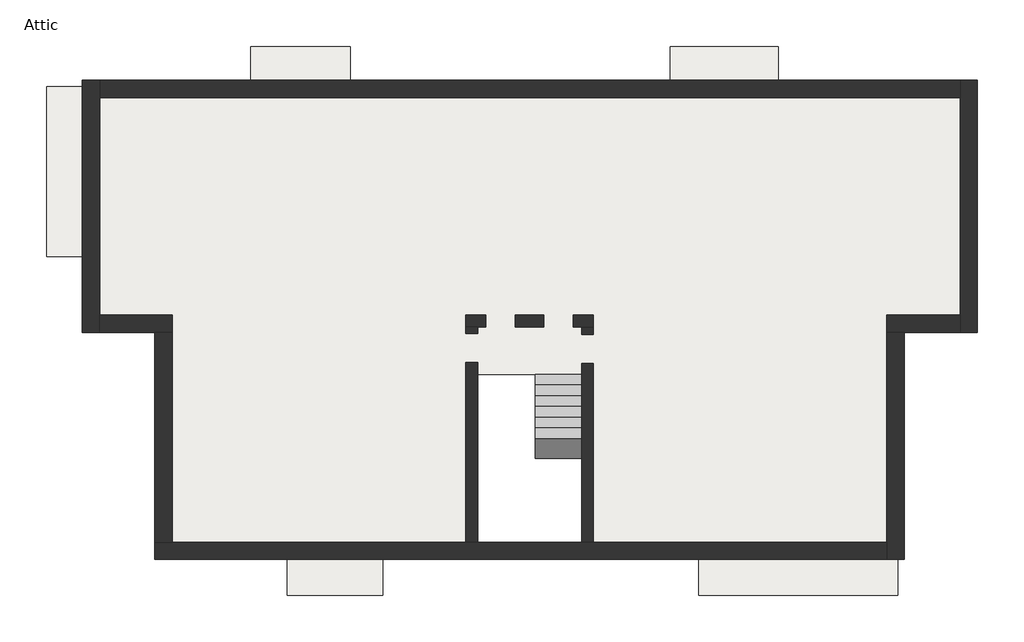
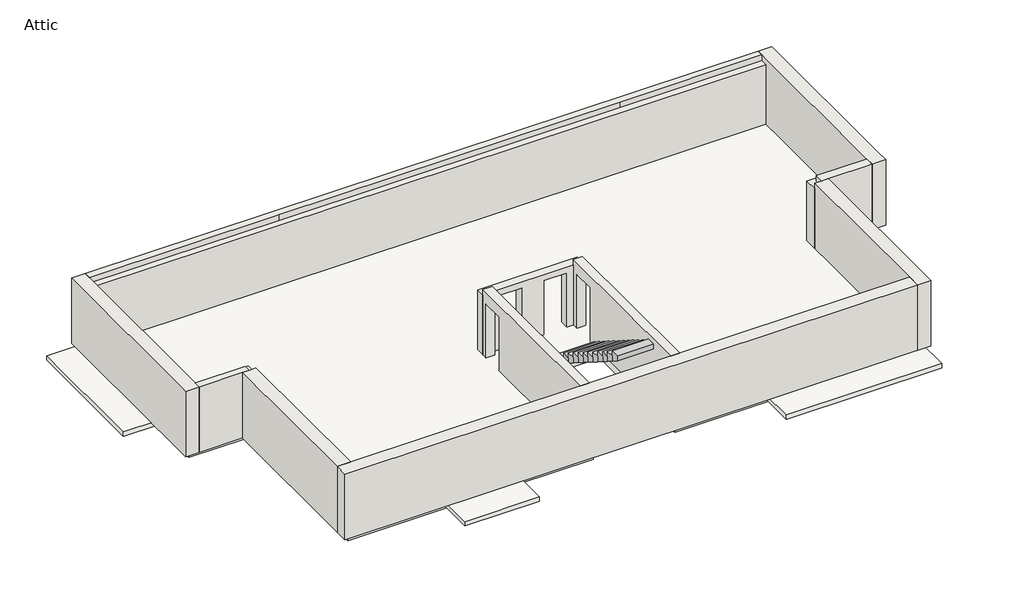
# One storey: 11 walls, 6 slabs, 1 stair flight.
"""IFC4 building model written with IfcOpenShell, lengths in millimetres."""

import ifcopenshell
import ifcopenshell.guid

model = None  # the IFC model being written
_history = None  # IfcOwnerHistory: only IFC2X3 demands one
_inside = {}  # id of a spatial element -> (the spatial element, [elements in it])
_under = {}  # id of a project, library or spatial element -> (it, [spatial elements below it])
_declared = {}  # id of a project -> (the project, [libraries it declares])
_typed = {}  # id of a type object -> (the type object, [elements of that type])
_made_of = {}  # id of a material, layer set ... -> (it, [elements and type objects made of it])


def new_model(schema):
    """Start an empty IFC model of exactly this schema.

    Asked for "IFC4X3", IfcOpenShell would pick the latest addendum, in which some entities
    have other attributes; the version numbers below select the first issue.
    IFC2X3 requires an IfcOwnerHistory on every rooted entity: one is made here for all.
    """
    global model, _history
    if schema == "IFC4X3":
        model = ifcopenshell.file(schema_version=(4, 3, 0, 0))
    else:
        model = ifcopenshell.file(schema=schema)
    _inside.clear()
    _under.clear()
    _declared.clear()
    _typed.clear()
    _made_of.clear()
    _history = None
    if model.schema == "IFC2X3":
        org = make("IfcOrganization", Name="unknown")
        user = make(
            "IfcPersonAndOrganization",
            ThePerson=make("IfcPerson", FamilyName="unknown"),
            TheOrganization=org,
        )
        app = make(
            "IfcApplication",
            ApplicationDeveloper=org,
            Version="unknown",
            ApplicationFullName="unknown",
            ApplicationIdentifier="unknown",
        )
        _history = make(
            "IfcOwnerHistory",
            OwningUser=user,
            OwningApplication=app,
            ChangeAction="ADDED",
            CreationDate=0,
        )
    return model


def make(cls, **values):
    """One entity of the class cls with the attributes given. An attribute that is None is left unset."""
    return model.create_entity(
        cls, **{name: value for name, value in values.items() if value is not None}
    )


def rooted(cls, **values):
    """An entity with a GlobalId (a new one), such as an element, a storey or a relation."""
    return make(cls, GlobalId=ifcopenshell.guid.new(), OwnerHistory=_history, **values)


def si_unit(unit_type, name, prefix=None):
    """IfcSIUnit, for example si_unit("LENGTHUNIT", "METRE", prefix="MILLI")."""
    return make("IfcSIUnit", UnitType=unit_type, Prefix=prefix, Name=name)


def assignment(units):
    """IfcUnitAssignment: the units of a project."""
    return None if units is None else make("IfcUnitAssignment", Units=units)


def point(xyz):
    """IfcCartesianPoint."""
    return None if xyz is None else make("IfcCartesianPoint", Coordinates=xyz)


def direction(xyz):
    """IfcDirection."""
    return None if xyz is None else make("IfcDirection", DirectionRatios=xyz)


def frame(location, z_axis=None, x_axis=None):
    """IfcAxis2Placement3D, a coordinate frame: its origin and axes. An axis left out is left unset."""
    return make(
        "IfcAxis2Placement3D",
        Location=point(location),
        Axis=direction(z_axis),
        RefDirection=direction(x_axis),
    )


def origin():
    """The frame at (0, 0, 0) with its axes left unset."""
    return frame((0.0, 0.0, 0.0))


def place(relative_to, where):
    """IfcLocalPlacement: puts the frame where relative to a parent placement (None: the world)."""
    return make(
        "IfcLocalPlacement", PlacementRelTo=relative_to, RelativePlacement=where
    )


def context(
    kind, dimensions, precision=None, world=None, true_north=None, identifier=None
):
    """IfcGeometricRepresentationContext, for example the 3D "Model" context."""
    return make(
        "IfcGeometricRepresentationContext",
        ContextIdentifier=identifier,
        ContextType=kind,
        CoordinateSpaceDimension=dimensions,
        Precision=precision,
        WorldCoordinateSystem=world,
        TrueNorth=true_north,
    )


def project(units=None, contexts=None):
    """IfcProject with its units and contexts."""
    return rooted(
        "IfcProject",
        Name="project",
        RepresentationContexts=contexts,
        UnitsInContext=assignment(units),
    )


def spatial(cls, under=None, at=None, **own):
    """A site, building, storey or space (cls), placed at a placement, below another one or the project."""
    s = rooted(cls, ObjectPlacement=at, **own)
    if under is not None:
        _under.setdefault(under.id(), (under, []))[1].append(s)
    return s


def polyline(points):
    """IfcPolyline through the points."""
    return make("IfcPolyline", Points=[point(p) for p in points])


def outline(outer, holes=None, kind="AREA"):
    """IfcArbitraryClosedProfileDef: a profile drawn as a closed curve; with holes, ...WithVoids."""
    if holes is None:
        return make("IfcArbitraryClosedProfileDef", ProfileType=kind, OuterCurve=outer)
    return make(
        "IfcArbitraryProfileDefWithVoids",
        ProfileType=kind,
        OuterCurve=outer,
        InnerCurves=holes,
    )


def extrude(swept, where, along, depth):
    """IfcExtrudedAreaSolid: the profile swept, set in the frame where, extruded along a direction by depth."""
    return make(
        "IfcExtrudedAreaSolid",
        SweptArea=swept,
        Position=where,
        ExtrudedDirection=direction(along),
        Depth=depth,
    )


def faces_of(points, faces, orient=None, outer=None):
    """IfcFace entities. A face is a list of loops; a loop is a list of indices into points, from 0.

    orient and outer hold one flag for each loop. By default every Orientation is true, the
    first loop of a face is its IfcFaceOuterBound and the others are IfcFaceBound.
    """
    made = []
    for i, loops in enumerate(faces):
        bounds = []
        for j, loop in enumerate(loops):
            is_outer = j == 0 if outer is None else outer[i][j]
            bounds.append(
                make(
                    "IfcFaceOuterBound" if is_outer else "IfcFaceBound",
                    Bound=make("IfcPolyLoop", Polygon=[points[k] for k in loop]),
                    Orientation=True if orient is None else orient[i][j],
                )
            )
        made.append(make("IfcFace", Bounds=bounds))
    return made


def faceted_brep(points, faces, orient=None, outer=None, voids=None):
    """IfcFacetedBrep: a solid bounded by flat faces; with voids (closed shells), ...WithVoids."""
    shared = [point(p) for p in points]
    hull = make("IfcClosedShell", CfsFaces=faces_of(shared, faces, orient, outer))
    if voids is None:
        return make("IfcFacetedBrep", Outer=hull)
    return make(
        "IfcFacetedBrepWithVoids",
        Outer=hull,
        Voids=[
            make(cls, CfsFaces=faces_of(shared, fs, o, b)) for cls, fs, o, b in voids
        ],
    )


def shape(context_of_items, identifier, shape_type, items):
    """IfcShapeRepresentation: the items that make up one representation, for example the "Body"."""
    return make(
        "IfcShapeRepresentation",
        ContextOfItems=context_of_items,
        RepresentationIdentifier=identifier,
        RepresentationType=shape_type,
        Items=items,
    )


def made_of(thing, what):
    """Note that an element or type object is made of a material, layer set ...; save() writes the relation."""
    if what is not None:
        _made_of.setdefault(what.id(), (what, []))[1].append(thing)
    return thing


def element(
    cls,
    number,
    at=None,
    inside=None,
    cuts=None,
    type_object=None,
    material=None,
    context=None,
    identifier="Body",
    shape_type=None,
    held_by="IfcProductDefinitionShape",
    body=None,
    shapes=None,
    **own,
):
    """One element of the class cls, such as IfcWall. Its Tag is "e" and its number.

    at: its placement. inside: the storey or other place that contains it. cuts: it is an
    opening in that element (IfcRelVoidsElement). A single representation is given by context,
    identifier, shape_type and body (its items); several are given by shapes. held_by: the class
    of the entity that holds the representations. save() writes the other relations.
    """
    e = rooted(cls, Tag="e%d" % number, ObjectPlacement=at, **own)
    if body is not None:
        shapes = [shape(context, identifier, shape_type, body)]
    if shapes is not None:
        e.Representation = make(held_by, Representations=shapes)
    if inside is not None:
        _inside.setdefault(inside.id(), (inside, []))[1].append(e)
    if cuts is not None:
        rooted(
            "IfcRelVoidsElement", RelatingBuildingElement=cuts, RelatedOpeningElement=e
        )
    if type_object is not None:
        _typed.setdefault(type_object.id(), (type_object, []))[1].append(e)
    return made_of(e, material)


def aggregate(whole, parts):
    """IfcRelAggregates: a whole, such as a stair, and the parts it consists of."""
    return rooted("IfcRelAggregates", RelatingObject=whole, RelatedObjects=parts)


def save(model, path):
    """Write the relations noted so far, then the file.

    IfcRelAggregates (storeys below a building ...), IfcRelContainedInSpatialStructure (elements
    in a storey), IfcRelDefinesByType, IfcRelAssociatesMaterial and IfcRelDeclares: one each for
    every whole, place, type object, material and project.
    """
    for whole, parts in _under.values():
        aggregate(whole, parts)
    for where, things in _inside.values():
        rooted(
            "IfcRelContainedInSpatialStructure",
            RelatedElements=things,
            RelatingStructure=where,
        )
    for kind, things in _typed.values():
        rooted("IfcRelDefinesByType", RelatedObjects=things, RelatingType=kind)
    for what, things in _made_of.values():
        rooted("IfcRelAssociatesMaterial", RelatedObjects=things, RelatingMaterial=what)
    for by, libraries in _declared.values():
        rooted("IfcRelDeclares", RelatingContext=by, RelatedDefinitions=libraries)
    model.write(path)


model = new_model("IFC4")

# Units and contexts
model_context = context("Model", 3, world=origin())
ifc_project = project(units=[si_unit("LENGTHUNIT", "METRE", prefix="MILLI")], contexts=[model_context])

# Site, building, storey
site = spatial("IfcSite", under=ifc_project)
building = spatial("IfcBuilding", under=site)
storey = spatial("IfcBuildingStorey", under=building, Name="Attic", Elevation=9600.0)

# Slabs
placement = place(None, origin())
element("IfcSlab", 1, at=placement, inside=storey, context=model_context, shape_type="SweptSolid", body=[
    extrude(outline(polyline([(-7160.7410247, -3874.7980841), (3519.2589753, -3874.7980841), (11269.2589753, -3874.7980841), (11269.2589753, -9904.7980841), (9369.2589753, -9904.7980841), (9369.2589753, -15874.7980841), (1219.2589753, -15874.7980841), (1219.2589753, -11567.416921), (19.2589753, -11567.416921), (19.2589753, -11287.416921), (-1480.7410247, -11287.416921), (-1480.7410247, -15874.7980841), (-4000.7410247, -15874.7980841), (-9630.7410247, -15874.7980841), (-9630.7410247, -9979.7980841), (-11510.7410247, -9979.7980841), (-11510.7410247, -3874.7980841), (-7160.7410247, -3874.7980841)])), frame((0.0, 0.0, 9360.0), z_axis=(0.0, 0.0, 1.0), x_axis=(1.0, 0.0, 0.0)), (0.0, 0.0, 1.0), 240.0),
])
element("IfcSlab", 2, at=placement, inside=storey, context=model_context, shape_type="SweptSolid", body=[
    extrude(outline(polyline([(3519.2589753, -2774.8093829), (6319.2589753, -2774.8093829), (6319.2589753, -3874.7980841), (3519.2589753, -3874.7980841), (3519.2589753, -2774.8093829)])), frame((0.0, 0.0, 9450.0), z_axis=(0.0, 0.0, 1.0), x_axis=(1.0, 0.0, 0.0)), (0.0, 0.0, 1.0), 150.0),
])
element("IfcSlab", 3, at=placement, inside=storey, context=model_context, shape_type="SweptSolid", body=[
    extrude(outline(polyline([(4264.2589753, -15874.8093829), (9424.2589753, -15874.8093829), (9424.2589753, -17029.7980841), (4264.2589753, -17029.7980841), (4264.2589753, -15874.8093829)])), frame((0.0, 0.0, 9450.0), z_axis=(0.0, 0.0, 1.0), x_axis=(1.0, 0.0, 0.0)), (0.0, 0.0, 1.0), 150.0),
])
element("IfcSlab", 4, at=placement, inside=storey, context=model_context, shape_type="SweptSolid", body=[
    extrude(outline(polyline([(-6415.7410247, -15874.8093829), (-3945.7410247, -15874.8093829), (-3945.7410247, -17029.7980841), (-6415.7410247, -17029.7980841), (-6415.7410247, -15874.8093829)])), frame((0.0, 0.0, 9450.0), z_axis=(0.0, 0.0, 1.0), x_axis=(1.0, 0.0, 0.0)), (0.0, 0.0, 1.0), 150.0),
])
element("IfcSlab", 5, at=placement, inside=storey, context=model_context, shape_type="SweptSolid", body=[
    extrude(outline(polyline([(-7360.7410247, -2774.8093829), (-4780.7410247, -2774.8093829), (-4780.7410247, -3874.7980841), (-7360.7410247, -3874.7980841), (-7360.7410247, -2774.8093829)])), frame((0.0, 0.0, 9450.0), z_axis=(0.0, 0.0, 1.0), x_axis=(1.0, 0.0, 0.0)), (0.0, 0.0, 1.0), 150.0),
])
element("IfcSlab", 6, at=placement, inside=storey, context=model_context, shape_type="SweptSolid", body=[
    extrude(outline(polyline([(-12665.7410247, -3819.7980841), (-11510.7410247, -3819.7980841), (-11510.7410247, -8229.7980841), (-12665.7410247, -8229.7980841), (-12665.7410247, -3819.7980841)])), frame((0.0, 0.0, 9450.0), z_axis=(0.0, 0.0, 1.0), x_axis=(1.0, 0.0, 0.0)), (0.0, 0.0, 1.0), 150.0),
])

# Stair flight
element("IfcStairFlight", 7, at=placement, inside=storey, context=model_context, shape_type="Brep", body=[
    faceted_brep([(1219.2589753, -11567.416921, 9776.9230769), (1219.2589753, -11287.416921, 9776.9230769), (19.2589753, -11287.416921, 9776.9230769), (19.2589753, -11567.416921, 9776.9230769), (1219.2589753, -11567.416921, 9600.0), (1219.2589753, -11287.416921, 9600.0), (19.2589753, -11287.416921, 9600.0), (19.2589753, -11567.416921, 9600.0), (1219.2589753, -11847.416921, 9953.8461538), (1219.2589753, -11567.416921, 9953.8461538), (19.2589753, -11567.416921, 9953.8461538), (19.2589753, -11847.416921, 9953.8461538), (1219.2589753, -11847.416921, 9776.4108415), (1219.2589753, -11568.2275892, 9600.0), (19.2589753, -11568.2275892, 9600.0), (19.2589753, -11847.416921, 9776.4108415), (1219.2589753, -12127.416921, 10130.7692308), (1219.2589753, -11847.416921, 10130.7692308), (19.2589753, -11847.416921, 10130.7692308), (19.2589753, -12127.416921, 10130.7692308), (1219.2589753, -12127.416921, 9953.3339184), (19.2589753, -12127.416921, 9953.3339184), (1219.2589753, -12407.416921, 10307.6923077), (1219.2589753, -12127.416921, 10307.6923077), (19.2589753, -12127.416921, 10307.6923077), (19.2589753, -12407.416921, 10307.6923077), (1219.2589753, -12407.416921, 10130.2569954), (19.2589753, -12407.416921, 10130.2569954), (1219.2589753, -12687.416921, 10484.6153846), (1219.2589753, -12407.416921, 10484.6153846), (19.2589753, -12407.416921, 10484.6153846), (19.2589753, -12687.416921, 10484.6153846), (1219.2589753, -12687.416921, 10307.1800723), (19.2589753, -12687.416921, 10307.1800723), (1219.2589753, -12967.416921, 10661.5384615), (1219.2589753, -12687.416921, 10661.5384615), (19.2589753, -12687.416921, 10661.5384615), (19.2589753, -12967.416921, 10661.5384615), (1219.2589753, -12967.416921, 10484.1031492), (19.2589753, -12967.416921, 10484.1031492), (1219.2589753, -13247.416921, 10838.4615385), (1219.2589753, -12967.416921, 10838.4615385), (19.2589753, -12967.416921, 10838.4615385), (19.2589753, -13247.416921, 10838.4615385), (1219.2589753, -13247.416921, 10661.0262261), (19.2589753, -13247.416921, 10661.0262261), (1219.2589753, -13527.416921, 11015.3846154), (1219.2589753, -13247.416921, 11015.3846154), (19.2589753, -13247.416921, 11015.3846154), (19.2589753, -13527.416921, 11015.3846154), (1219.2589753, -13527.416921, 10837.9493031), (19.2589753, -13527.416921, 10837.9493031), (1219.2589753, -13807.416921, 11192.3076923), (1219.2589753, -13527.416921, 11192.3076923), (19.2589753, -13527.416921, 11192.3076923), (19.2589753, -13807.416921, 11192.3076923), (1219.2589753, -13807.416921, 11014.87238), (19.2589753, -13807.416921, 11014.87238), (1219.2589753, -14087.416921, 11369.2307692), (1219.2589753, -13807.416921, 11369.2307692), (19.2589753, -13807.416921, 11369.2307692), (19.2589753, -14087.416921, 11369.2307692), (1219.2589753, -14087.416921, 11191.7954569), (19.2589753, -14087.416921, 11191.7954569), (1219.2589753, -14367.416921, 11546.1538462), (1219.2589753, -14087.416921, 11546.1538462), (19.2589753, -14087.416921, 11546.1538462), (19.2589753, -14367.416921, 11546.1538462), (1219.2589753, -14367.416921, 11368.7185338), (19.2589753, -14367.416921, 11368.7185338), (1219.2589753, -14647.416921, 11723.0769231), (1219.2589753, -14367.416921, 11723.0769231), (19.2589753, -14367.416921, 11723.0769231), (19.2589753, -14647.416921, 11723.0769231), (1219.2589753, -14647.416921, 11545.6416107), (19.2589753, -14647.416921, 11545.6416107)], [[[0, 1, 2, 3]], [[1, 0, 4, 5]], [[2, 1, 5, 6]], [[3, 2, 6, 7]], [[8, 9, 10, 11]], [[4, 0, 9, 8, 12, 13]], [[0, 3, 10, 9]], [[3, 7, 14, 15, 11, 10]], [[16, 17, 18, 19]], [[17, 16, 20, 12, 8]], [[8, 11, 18, 17]], [[19, 18, 11, 15, 21]], [[22, 23, 24, 25]], [[23, 22, 26, 20, 16]], [[16, 19, 24, 23]], [[25, 24, 19, 21, 27]], [[28, 29, 30, 31]], [[29, 28, 32, 26, 22]], [[22, 25, 30, 29]], [[31, 30, 25, 27, 33]], [[34, 35, 36, 37]], [[35, 34, 38, 32, 28]], [[28, 31, 36, 35]], [[37, 36, 31, 33, 39]], [[40, 41, 42, 43]], [[41, 40, 44, 38, 34]], [[34, 37, 42, 41]], [[43, 42, 37, 39, 45]], [[46, 47, 48, 49]], [[47, 46, 50, 44, 40]], [[40, 43, 48, 47]], [[49, 48, 43, 45, 51]], [[52, 53, 54, 55]], [[53, 52, 56, 50, 46]], [[46, 49, 54, 53]], [[55, 54, 49, 51, 57]], [[58, 59, 60, 61]], [[59, 58, 62, 56, 52]], [[52, 55, 60, 59]], [[61, 60, 55, 57, 63]], [[64, 65, 66, 67]], [[65, 64, 68, 62, 58]], [[58, 61, 66, 65]], [[67, 66, 61, 63, 69]], [[70, 71, 72, 73]], [[71, 70, 74, 68, 64]], [[64, 67, 72, 71]], [[73, 72, 67, 69, 75]], [[70, 73, 75, 74]], [[5, 4, 13, 14, 7, 6]], [[14, 13, 12, 20, 26, 32, 38, 44, 50, 56, 62, 68, 74, 75, 69, 63, 57, 51, 45, 39, 33, 27, 21, 15]]]),
])

# Walls
element("IfcWall", 8, at=placement, inside=storey, context=model_context, shape_type="Brep", body=[
    faceted_brep([(-11285.7410247, -10204.7980841, 9600.0), (-11285.7410247, -9754.7980841, 9600.0), (-11285.7410247, -4099.8093829, 9600.0), (-11285.7410247, -3649.8093829, 9600.0), (-11285.7410247, -3649.8093829, 11900.0), (-11285.7410247, -3874.7980841, 11900.0), (-11285.7410247, -9979.7980841, 11900.0), (-11285.7410247, -10204.7980841, 11900.0), (-11735.7410247, -10204.7980841, 9600.0), (-11735.7410247, -10204.7980841, 11900.0), (-11735.7410247, -3649.8093829, 11900.0), (-11735.7410247, -3649.8093829, 9600.0), (-11735.7410247, -4099.8093829, 9600.0)], [[[0, 1, 2, 3, 4, 5, 6, 7]], [[8, 9, 10, 11, 12]], [[3, 2, 1, 0, 8, 12, 11]], [[7, 6, 5, 4, 10, 9]], [[0, 7, 9, 8]], [[4, 3, 11, 10]]]),
])
element("IfcWall", 9, at=placement, inside=storey, context=model_context, shape_type="Brep", body=[
    faceted_brep([(11044.2589753, -3649.8093829, 9600.0), (11044.2589753, -4099.8093829, 9600.0), (11044.2589753, -9754.7980841, 9600.0), (11044.2589753, -10204.7980841, 9600.0), (11044.2589753, -10204.7980841, 11900.0), (11044.2589753, -9904.7980841, 11900.0), (11044.2589753, -9754.7980841, 11900.0), (11044.2589753, -3874.7980841, 11900.0), (11044.2589753, -3649.8093829, 11900.0), (11494.2589753, -3649.8093829, 9600.0), (11494.2589753, -3649.8093829, 11900.0), (11494.2589753, -9754.7980841, 11900.0), (11494.2589753, -10204.7980841, 11900.0), (11494.2589753, -10204.7980841, 9600.0)], [[[0, 1, 2, 3, 4, 5, 6, 7, 8]], [[9, 10, 11, 12, 13]], [[3, 2, 1, 0, 9, 13]], [[8, 7, 6, 5, 4, 12, 11, 10]], [[0, 8, 10, 9]], [[4, 3, 13, 12]]]),
])
element("IfcWall", 10, at=placement, inside=storey, context=model_context, shape_type="Brep", body=[
    faceted_brep([(11044.2589753, -9754.7980841, 9600.0), (9144.488617, -9754.7980841, 9600.0), (9144.488617, -9754.7980841, 11700.0), (11044.2589753, -9754.7980841, 11700.0), (9144.488617, -10204.7980841, 9600.0), (9594.488617, -10204.7980841, 9600.0), (11044.2589753, -10204.7980841, 9600.0), (11044.2589753, -10204.7980841, 11900.0), (9594.488617, -10204.7980841, 11900.0), (9594.2589753, -10204.7980841, 11900.0), (9369.2589753, -10204.7980841, 11900.0), (9369.2589753, -10204.7980841, 11700.0), (9144.488617, -10204.7980841, 11700.0), (11044.2589753, -9904.7980841, 11900.0), (9369.2589753, -9904.7980841, 11900.0), (11044.2589753, -9904.7980841, 11700.0), (9369.2589753, -9904.7980841, 11700.0)], [[[0, 1, 2, 3]], [[4, 5, 6, 7, 8, 9, 10, 11, 12]], [[1, 0, 6, 5, 4]], [[10, 9, 8, 7, 13, 14]], [[7, 6, 0, 3, 15, 13]], [[11, 16, 15, 3, 2, 12]], [[16, 14, 13, 15]], [[1, 4, 12, 2]], [[14, 16, 11, 10]]]),
])
element("IfcWall", 11, at=placement, inside=storey, context=model_context, shape_type="Brep", body=[
    faceted_brep([(9144.488617, -15649.7980841, 9600.0), (1519.2589753, -15649.7980841, 9600.0), (1219.2589753, -15649.7980841, 9600.0), (-1480.7410247, -15649.7980841, 9600.0), (-1780.7410247, -15649.7980841, 9600.0), (-9405.7410247, -15649.7980841, 9600.0), (-9855.7410247, -15649.7980841, 9600.0), (-9855.7410247, -15649.7980841, 11900.0), (-9405.7410247, -15649.7980841, 11900.0), (-1780.7410247, -15649.7980841, 11900.0), (-1480.7410247, -15649.7980841, 11900.0), (1219.2589753, -15649.7980841, 11900.0), (1519.2589753, -15649.7980841, 11900.0), (9144.488617, -15649.7980841, 11900.0), (9144.488617, -16099.7980841, 9600.0), (9144.488617, -16099.7980841, 11900.0), (-9405.7410247, -16099.7980841, 11900.0), (-9855.7410247, -16099.7980841, 11900.0), (-9855.7410247, -16099.7980841, 9600.0)], [[[0, 1, 2, 3, 4, 5, 6, 7, 8, 9, 10, 11, 12, 13]], [[14, 15, 16, 17, 18]], [[6, 5, 4, 3, 2, 1, 0, 14, 18]], [[13, 12, 11, 10, 9, 8, 7, 17, 16, 15]], [[7, 6, 18, 17]], [[0, 13, 15, 14]]]),
])
element("IfcWall", 12, at=placement, inside=storey, context=model_context, shape_type="Brep", body=[
    faceted_brep([(-9405.7410247, -15649.7980841, 9600.0), (-9405.7410247, -10204.7980841, 9600.0), (-9405.7410247, -10204.7980841, 11700.0), (-9405.7410247, -10204.7980841, 11900.0), (-9405.7410247, -15649.7980841, 11900.0), (-9855.7410247, -15649.7980841, 9600.0), (-9855.7410247, -15649.7980841, 11900.0), (-9855.7410247, -10204.7980841, 11900.0), (-9855.7410247, -10204.7980841, 9600.0), (-9630.7410247, -10204.7980841, 11900.0)], [[[0, 1, 2, 3, 4]], [[5, 6, 7, 8]], [[1, 0, 5, 8]], [[4, 3, 9, 7, 6]], [[0, 4, 6, 5]], [[3, 2, 1, 8, 7, 9]]]),
])
element("IfcWall", 13, at=placement, inside=storey, context=model_context, shape_type="SweptSolid", body=[
    extrude(outline(polyline([(-10986.7980841, 11500.0), (-10986.7980841, 9600.0), (-15649.7980841, 9600.0), (-15649.7980841, 11900.0), (-10054.7980841, 11900.0), (-10054.7980841, 9600.0), (-10224.7980841, 9600.0), (-10224.7980841, 11500.0), (-10986.7980841, 11500.0)])), frame((-1780.7410247, 0.0, 0.0), z_axis=(1.0, 0.0, 0.0), x_axis=(0.0, 1.0, 0.0)), (0.0, 0.0, 1.0), 300.0),
])
element("IfcWall", 14, at=placement, inside=storey, context=model_context, shape_type="SweptSolid", body=[
    extrude(outline(polyline([(-15649.7980841, 11900.0), (-10054.7980841, 11900.0), (-10054.7980841, 9600.0), (-10250.3670612, 9600.0), (-10250.3670612, 11500.0), (-11012.3670612, 11500.0), (-11012.3670612, 9600.0), (-15649.7980841, 9600.0), (-15649.7980841, 11900.0)])), frame((1219.2589753, 0.0, 0.0), z_axis=(1.0, 0.0, 0.0), x_axis=(0.0, 1.0, 0.0)), (0.0, 0.0, 1.0), 300.0),
])
element("IfcWall", 15, at=placement, inside=storey, context=model_context, shape_type="Brep", body=[
    faceted_brep([(-11285.7410247, -4099.8093829, 9600.0), (11044.2589753, -4099.8093829, 9600.0), (11044.2589753, -4099.8093829, 11700.0), (-11285.7410247, -4099.8093829, 11700.0), (11044.2589753, -3649.8093829, 9600.0), (-11285.7410247, -3649.8093829, 9600.0), (-11285.7410247, -3649.8093829, 11900.0), (11044.2589753, -3649.8093829, 11900.0), (-11285.7410247, -3874.7980841, 11900.0), (-4980.7410247, -3874.7980841, 11900.0), (6319.2589753, -3874.7980841, 11900.0), (11044.2589753, -3874.7980841, 11900.0), (11044.2589753, -3874.7980841, 11700.0), (-11285.7410247, -3874.7980841, 11700.0), (6319.2589753, -3874.7980841, 11700.0), (-4980.7410247, -3874.7980841, 11700.0)], [[[0, 1, 2, 3]], [[4, 5, 6, 7]], [[1, 0, 5, 4]], [[7, 6, 8, 9, 10, 11]], [[1, 4, 7, 11, 12, 2]], [[6, 5, 0, 3, 13, 8]], [[14, 15, 13, 3, 2, 12]], [[15, 14, 10, 9]], [[10, 14, 12, 11]], [[15, 9, 8, 13]]]),
])
element("IfcWall", 16, at=placement, inside=storey, context=model_context, shape_type="Brep", body=[
    faceted_brep([(9144.488617, -10204.7980841, 9600.0), (9144.488617, -15649.7980841, 9600.0), (9144.488617, -16099.7980841, 9600.0), (9144.488617, -16099.7980841, 11900.0), (9144.488617, -15649.7980841, 11900.0), (9144.488617, -10204.7980841, 11900.0), (9144.488617, -10204.7980841, 11700.0), (9594.488617, -10204.7980841, 9600.0), (9594.488617, -10204.7980841, 11900.0), (9594.488617, -16099.7980841, 11900.0), (9594.488617, -16099.7980841, 9600.0), (9369.2589753, -10204.7980841, 11900.0)], [[[0, 1, 2, 3, 4, 5, 6]], [[7, 8, 9, 10]], [[2, 1, 0, 7, 10]], [[5, 4, 3, 9, 8, 11]], [[0, 6, 5, 11, 8, 7]], [[3, 2, 10, 9]]]),
])
element("IfcWall", 17, at=placement, inside=storey, context=model_context, shape_type="Brep", body=[
    faceted_brep([(-9405.7410247, -9754.7980841, 9600.0), (-11285.7410247, -9754.7980841, 9600.0), (-11285.7410247, -9754.7980841, 11700.0), (-9405.7410247, -9754.7980841, 11700.0), (-11285.7410247, -10204.7980841, 9600.0), (-9855.7410247, -10204.7980841, 9600.0), (-9405.7410247, -10204.7980841, 9600.0), (-9405.7410247, -10204.7980841, 11700.0), (-9630.7410247, -10204.7980841, 11700.0), (-9630.7410247, -10204.7980841, 11900.0), (-9855.7410247, -10204.7980841, 11900.0), (-11285.7410247, -10204.7980841, 11900.0), (-9630.7410247, -9979.7980841, 11900.0), (-11285.7410247, -9979.7980841, 11900.0), (-11285.7410247, -9979.7980841, 11700.0), (-9630.7410247, -9979.7980841, 11700.0)], [[[0, 1, 2, 3]], [[4, 5, 6, 7, 8, 9, 10, 11]], [[1, 0, 6, 5, 4]], [[11, 10, 9, 12, 13]], [[1, 4, 11, 13, 14, 2]], [[14, 15, 8, 7, 3, 2]], [[15, 12, 9, 8]], [[12, 15, 14, 13]], [[6, 0, 3, 7]]]),
])
element("IfcWall", 18, at=placement, inside=storey, context=model_context, shape_type="Brep", body=[
    faceted_brep([(1519.2589753, -9754.7980841, 9600.0), (1000.3546604, -9754.7980841, 9600.0), (1000.3546604, -9754.7980841, 11500.0), (238.3546604, -9754.7980841, 11500.0), (238.3546604, -9754.7980841, 9600.0), (-499.6453396, -9754.7980841, 9600.0), (-499.6453396, -9754.7980841, 11500.0), (-1261.6453396, -9754.7980841, 11500.0), (-1261.6453396, -9754.7980841, 9600.0), (-1780.7410247, -9754.7980841, 9600.0), (-1780.7410247, -9754.7980841, 11700.0), (1519.2589753, -9754.7980841, 11700.0), (1000.3546604, -10054.7980841, 9600.0), (1219.2589753, -10054.7980841, 9600.0), (1519.2589753, -10054.7980841, 9600.0), (1519.2589753, -10054.7980841, 11700.0), (-1780.7410247, -10054.7980841, 11700.0), (-1780.7410247, -10054.7980841, 9600.0), (-1480.7410247, -10054.7980841, 9600.0), (-1261.6453396, -10054.7980841, 9600.0), (-1261.6453396, -10054.7980841, 11500.0), (-499.6453396, -10054.7980841, 11500.0), (-499.6453396, -10054.7980841, 9600.0), (238.3546604, -10054.7980841, 9600.0), (238.3546604, -10054.7980841, 11500.0), (1000.3546604, -10054.7980841, 11500.0)], [[[0, 1, 2, 3, 4, 5, 6, 7, 8, 9, 10, 11]], [[12, 13, 14, 15, 16, 17, 18, 19, 20, 21, 22, 23, 24, 25]], [[17, 9, 8, 19, 18]], [[0, 14, 13, 12, 1]], [[4, 23, 22, 5]], [[9, 17, 16, 10]], [[14, 0, 11, 15]], [[25, 2, 1, 12]], [[3, 24, 23, 4]], [[2, 25, 24, 3]], [[21, 6, 5, 22]], [[7, 20, 19, 8]], [[6, 21, 20, 7]], [[11, 10, 16, 15]]]),
])

save(model, "model.ifc")
